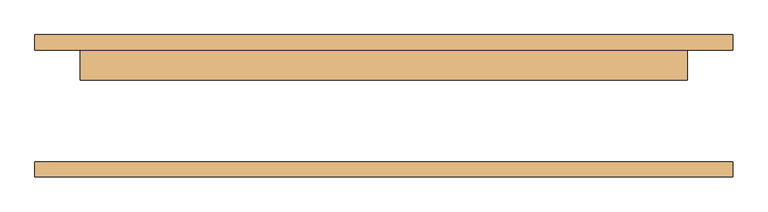
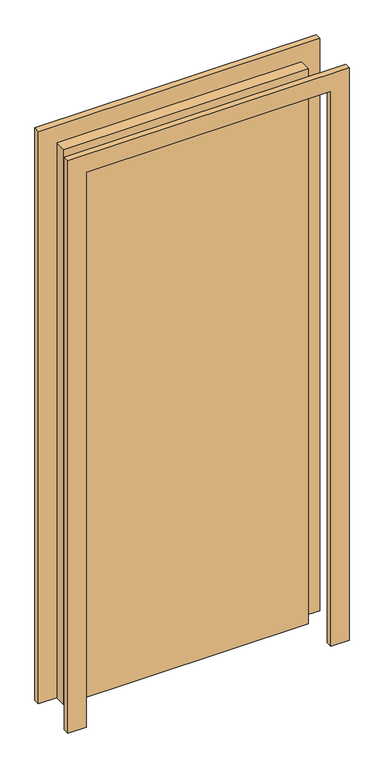
"""IFC4 building model written with IfcOpenShell, lengths in millimetres: door geometry."""

from ifc_helpers import new_model, si_unit, frame, origin, origin_with_axes, place, context, project, spatial, polyline, outline, extrude, source, transform, mapped, element, save


def door_425e9238(model_context):
    return source(origin(), model_context, "Body", "SweptSolid", [
        extrude(outline(polyline([(2514.6, -584.2), (0.0, -584.2), (0.0, -508.0), (2438.4, -508.0), (2438.4, 508.0), (0.0, 508.0), (0.0, 584.2), (2514.6, 584.2), (2514.6, -584.2)])), frame((0.0, 93.6625, 0.0), z_axis=(0.0, 1.0, 0.0), x_axis=(0.0, 0.0, 1.0)), (0.0, 0.0, 1.0), 25.4),
        extrude(outline(polyline([(2514.6, 584.2), (2514.6, -584.2), (0.0, -584.2), (0.0, -508.0), (2438.4, -508.0), (2438.4, 508.0), (0.0, 508.0), (0.0, 584.2), (2514.6, 584.2)])), frame((0.0, -119.0625, 0.0), z_axis=(0.0, 1.0, 0.0), x_axis=(0.0, 0.0, 1.0)), (0.0, 0.0, 1.0), 25.4),
        extrude(outline(polyline([(508.0, 42.8625), (-508.0, 42.8625), (-508.0, 93.6625), (508.0, 93.6625), (508.0, 42.8625)])), origin_with_axes(), (0.0, 0.0, 1.0), 2438.4),
    ])


if __name__ == "__main__":
    model = new_model("IFC4")
    model_context = context("Model", 3, world=origin())
    ifc_project = project(units=[si_unit("LENGTHUNIT", "METRE", prefix="MILLI")], contexts=[model_context])
    site = spatial("IfcSite", under=ifc_project)
    building = spatial("IfcBuilding", under=site)
    placement = place(None, origin())
    door_shape = door_425e9238(model_context)
    element("IfcDoor", 1, at=placement, inside=building, context=model_context, shape_type="MappedRepresentation", body=[
        mapped(door_shape, transform((0.0, 0.0, 0.0), x_axis=(1.0, 0.0, 0.0), y_axis=(0.0, 1.0, 0.0), z_axis=(0.0, 0.0, 1.0))),
    ])
    save(model, "model.ifc")
